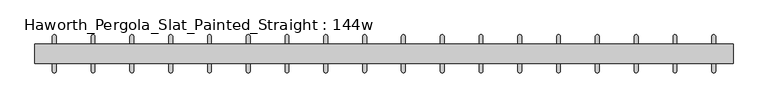
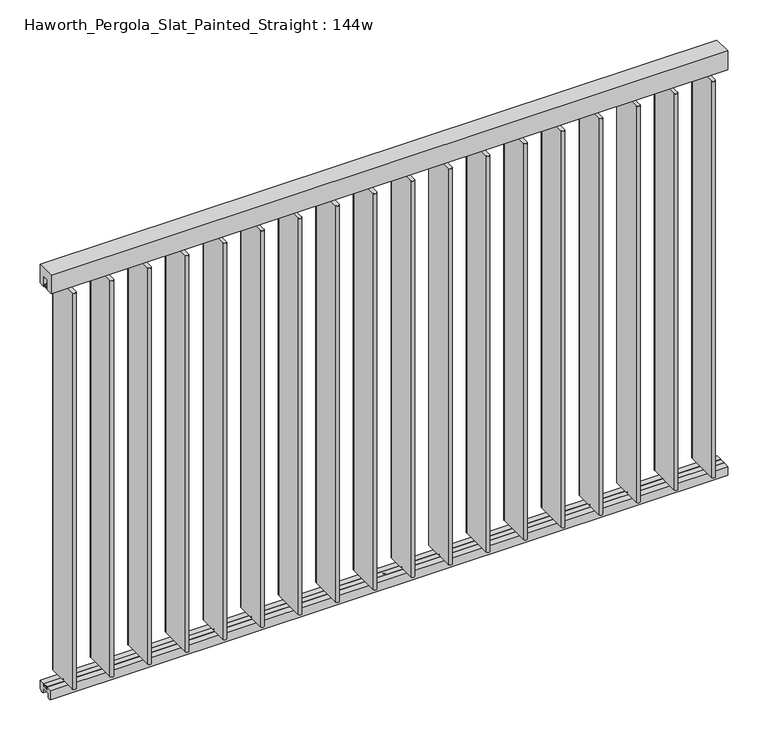
"""IFC4 building model written with IfcOpenShell, lengths in millimetres: furniture geometry, Haworth_Pergola_Slat_Painted_Straight : 144w."""

from ifc_helpers import new_model, si_unit, point, frame, frame_2d, origin, place, context, project, spatial, polyline, circle_curve, trimmed, segment, composite_curve, outline, extrude, source, transform, mapped, element, save


def haworth_pergola_slat_painted_straight_144w_dea3ec06(model_context):
    return source(origin(), model_context, "Body", "SweptSolid", [
        extrude(outline(composite_curve([segment(trimmed(circle_curve(frame_2d((1562.0999978, 0.0006097)), 6.0), [point((1557.8573571, 4.2432504))], [point((1566.3426384, -4.242031))], False, "CARTESIAN"), True, "CONTINUOUS"), segment(trimmed(circle_curve(frame_2d((1562.0999978, 0.0006097)), 6.0), [point((1566.3426384, -4.242031))], [point((1557.8573571, 4.2432504))], False, "CARTESIAN"), True, "CONTINUOUS")], self_intersect=False)), frame((0.0, 0.0, 2329.3585937), z_axis=(0.0, 0.0, 1.0), x_axis=(1.0, 0.0, 0.0)), (0.0, 0.0, 1.0), 4.9609375),
        extrude(outline(composite_curve([segment(trimmed(circle_curve(frame_2d((1562.0999978, 0.0006097)), 6.0), [point((1557.8573571, 4.2432504))], [point((1566.3426384, -4.242031))], False, "CARTESIAN"), True, "CONTINUOUS"), segment(trimmed(circle_curve(frame_2d((1562.0999978, 0.0006097)), 6.0), [point((1566.3426384, -4.242031))], [point((1557.8573571, 4.2432504))], False, "CARTESIAN"), True, "CONTINUOUS")], self_intersect=False)), frame((0.0, 0.0, 61.0195312), z_axis=(0.0, 0.0, 1.0), x_axis=(1.0, 0.0, 0.0)), (0.0, 0.0, 1.0), 4.9609375),
        extrude(outline(composite_curve([segment(polyline([(1572.0999989, 89.9835531), (1572.0999997, -90.0030634)]), True, "CONTINUOUS"), segment(trimmed(circle_curve(frame_2d((1562.0999976, -90.0030634)), 10.0000021), [point((1572.0999997, -90.0030634))], [point((1552.0999955, -90.0030631))], False, "CARTESIAN"), True, "CONTINUOUS"), segment(polyline([(1552.0999955, -90.0030631), (1552.1000009, 89.9835534)]), True, "CONTINUOUS"), segment(trimmed(circle_curve(frame_2d((1562.0999999, 89.9835531)), 9.999999), [point((1552.1000009, 89.9835534))], [point((1572.0999989, 89.9835531))], False, "CARTESIAN"), True, "CONTINUOUS")], self_intersect=False)), frame((0.0, 0.0, 65.9804687), z_axis=(0.0, 0.0, 1.0), x_axis=(1.0, 0.0, 0.0)), (0.0, 0.0, 1.0), 2263.378125),
        extrude(outline(composite_curve([segment(trimmed(circle_curve(frame_2d((1358.8999978, 0.0012193)), 6.0), [point((1354.6573571, 4.24386))], [point((1363.1426384, -4.2414213))], False, "CARTESIAN"), True, "CONTINUOUS"), segment(trimmed(circle_curve(frame_2d((1358.8999978, 0.0012193)), 6.0), [point((1363.1426384, -4.2414213))], [point((1354.6573571, 4.24386))], False, "CARTESIAN"), True, "CONTINUOUS")], self_intersect=False)), frame((0.0, 0.0, 2329.3585937), z_axis=(0.0, 0.0, 1.0), x_axis=(1.0, 0.0, 0.0)), (0.0, 0.0, 1.0), 4.9609375),
        extrude(outline(composite_curve([segment(trimmed(circle_curve(frame_2d((1358.8999978, 0.0012193)), 6.0), [point((1354.6573571, 4.24386))], [point((1363.1426384, -4.2414213))], False, "CARTESIAN"), True, "CONTINUOUS"), segment(trimmed(circle_curve(frame_2d((1358.8999978, 0.0012193)), 6.0), [point((1363.1426384, -4.2414213))], [point((1354.6573571, 4.24386))], False, "CARTESIAN"), True, "CONTINUOUS")], self_intersect=False)), frame((0.0, 0.0, 61.0195312), z_axis=(0.0, 0.0, 1.0), x_axis=(1.0, 0.0, 0.0)), (0.0, 0.0, 1.0), 4.9609375),
        extrude(outline(composite_curve([segment(polyline([(1368.8999989, 89.9841628), (1368.8999997, -90.0024537)]), True, "CONTINUOUS"), segment(trimmed(circle_curve(frame_2d((1358.8999976, -90.0024538)), 10.0000021), [point((1368.8999997, -90.0024537))], [point((1348.8999955, -90.0024535))], False, "CARTESIAN"), True, "CONTINUOUS"), segment(polyline([(1348.8999955, -90.0024535), (1348.9000009, 89.9841631)]), True, "CONTINUOUS"), segment(trimmed(circle_curve(frame_2d((1358.8999999, 89.9841628)), 9.999999), [point((1348.9000009, 89.9841631))], [point((1368.8999989, 89.9841628))], False, "CARTESIAN"), True, "CONTINUOUS")], self_intersect=False)), frame((0.0, 0.0, 65.9804687), z_axis=(0.0, 0.0, 1.0), x_axis=(1.0, 0.0, 0.0)), (0.0, 0.0, 1.0), 2263.378125),
        extrude(outline(composite_curve([segment(trimmed(circle_curve(frame_2d((1155.6999978, 0.001829)), 6.0), [point((1151.4573571, 4.2444697))], [point((1159.9426384, -4.2408117))], False, "CARTESIAN"), True, "CONTINUOUS"), segment(trimmed(circle_curve(frame_2d((1155.6999978, 0.001829)), 6.0), [point((1159.9426384, -4.2408117))], [point((1151.4573571, 4.2444697))], False, "CARTESIAN"), True, "CONTINUOUS")], self_intersect=False)), frame((0.0, 0.0, 2329.3585937), z_axis=(0.0, 0.0, 1.0), x_axis=(1.0, 0.0, 0.0)), (0.0, 0.0, 1.0), 4.9609375),
        extrude(outline(composite_curve([segment(trimmed(circle_curve(frame_2d((1155.6999978, 0.001829)), 6.0), [point((1151.4573571, 4.2444697))], [point((1159.9426384, -4.2408117))], False, "CARTESIAN"), True, "CONTINUOUS"), segment(trimmed(circle_curve(frame_2d((1155.6999978, 0.001829)), 6.0), [point((1159.9426384, -4.2408117))], [point((1151.4573571, 4.2444697))], False, "CARTESIAN"), True, "CONTINUOUS")], self_intersect=False)), frame((0.0, 0.0, 61.0195312), z_axis=(0.0, 0.0, 1.0), x_axis=(1.0, 0.0, 0.0)), (0.0, 0.0, 1.0), 4.9609375),
        extrude(outline(composite_curve([segment(polyline([(1165.6999989, 89.9847725), (1165.6999997, -90.001844)]), True, "CONTINUOUS"), segment(trimmed(circle_curve(frame_2d((1155.6999976, -90.0018441)), 10.0000021), [point((1165.6999997, -90.001844))], [point((1145.6999955, -90.0018438))], False, "CARTESIAN"), True, "CONTINUOUS"), segment(polyline([(1145.6999955, -90.0018438), (1145.7000009, 89.9847727)]), True, "CONTINUOUS"), segment(trimmed(circle_curve(frame_2d((1155.6999999, 89.9847724)), 9.999999), [point((1145.7000009, 89.9847727))], [point((1165.6999989, 89.9847725))], False, "CARTESIAN"), True, "CONTINUOUS")], self_intersect=False)), frame((0.0, 0.0, 65.9804687), z_axis=(0.0, 0.0, 1.0), x_axis=(1.0, 0.0, 0.0)), (0.0, 0.0, 1.0), 2263.378125),
        extrude(outline(composite_curve([segment(trimmed(circle_curve(frame_2d((952.4999978, 0.0024387)), 6.0), [point((948.2573571, 4.2450794))], [point((956.7426384, -4.240202))], False, "CARTESIAN"), True, "CONTINUOUS"), segment(trimmed(circle_curve(frame_2d((952.4999978, 0.0024387)), 6.0), [point((956.7426384, -4.240202))], [point((948.2573571, 4.2450794))], False, "CARTESIAN"), True, "CONTINUOUS")], self_intersect=False)), frame((0.0, 0.0, 2329.3585937), z_axis=(0.0, 0.0, 1.0), x_axis=(1.0, 0.0, 0.0)), (0.0, 0.0, 1.0), 4.9609375),
        extrude(outline(composite_curve([segment(trimmed(circle_curve(frame_2d((952.4999978, 0.0024387)), 6.0), [point((948.2573571, 4.2450794))], [point((956.7426384, -4.240202))], False, "CARTESIAN"), True, "CONTINUOUS"), segment(trimmed(circle_curve(frame_2d((952.4999978, 0.0024387)), 6.0), [point((956.7426384, -4.240202))], [point((948.2573571, 4.2450794))], False, "CARTESIAN"), True, "CONTINUOUS")], self_intersect=False)), frame((0.0, 0.0, 61.0195312), z_axis=(0.0, 0.0, 1.0), x_axis=(1.0, 0.0, 0.0)), (0.0, 0.0, 1.0), 4.9609375),
        extrude(outline(composite_curve([segment(polyline([(962.4999989, 89.9853822), (962.4999997, -90.0012344)]), True, "CONTINUOUS"), segment(trimmed(circle_curve(frame_2d((952.4999976, -90.0012344)), 10.0000021), [point((962.4999997, -90.0012344))], [point((942.4999955, -90.0012341))], False, "CARTESIAN"), True, "CONTINUOUS"), segment(polyline([(942.4999955, -90.0012341), (942.5000009, 89.9853824)]), True, "CONTINUOUS"), segment(trimmed(circle_curve(frame_2d((952.4999999, 89.9853821)), 9.999999), [point((942.5000009, 89.9853824))], [point((962.4999989, 89.9853822))], False, "CARTESIAN"), True, "CONTINUOUS")], self_intersect=False)), frame((0.0, 0.0, 65.9804687), z_axis=(0.0, 0.0, 1.0), x_axis=(1.0, 0.0, 0.0)), (0.0, 0.0, 1.0), 2263.378125),
        extrude(outline(composite_curve([segment(trimmed(circle_curve(frame_2d((749.2999978, 0.0030484)), 6.0), [point((745.0573571, 4.2456891))], [point((753.5426384, -4.2395923))], False, "CARTESIAN"), True, "CONTINUOUS"), segment(trimmed(circle_curve(frame_2d((749.2999978, 0.0030484)), 6.0), [point((753.5426384, -4.2395923))], [point((745.0573571, 4.2456891))], False, "CARTESIAN"), True, "CONTINUOUS")], self_intersect=False)), frame((0.0, 0.0, 2329.3585937), z_axis=(0.0, 0.0, 1.0), x_axis=(1.0, 0.0, 0.0)), (0.0, 0.0, 1.0), 4.9609375),
        extrude(outline(composite_curve([segment(trimmed(circle_curve(frame_2d((749.2999978, 0.0030484)), 6.0), [point((745.0573571, 4.2456891))], [point((753.5426384, -4.2395923))], False, "CARTESIAN"), True, "CONTINUOUS"), segment(trimmed(circle_curve(frame_2d((749.2999978, 0.0030484)), 6.0), [point((753.5426384, -4.2395923))], [point((745.0573571, 4.2456891))], False, "CARTESIAN"), True, "CONTINUOUS")], self_intersect=False)), frame((0.0, 0.0, 61.0195312), z_axis=(0.0, 0.0, 1.0), x_axis=(1.0, 0.0, 0.0)), (0.0, 0.0, 1.0), 4.9609375),
        extrude(outline(composite_curve([segment(polyline([(759.2999989, 89.9859918), (759.2999997, -90.0006247)]), True, "CONTINUOUS"), segment(trimmed(circle_curve(frame_2d((749.2999976, -90.0006247)), 10.0000021), [point((759.2999997, -90.0006247))], [point((739.2999955, -90.0006244))], False, "CARTESIAN"), True, "CONTINUOUS"), segment(polyline([(739.2999955, -90.0006244), (739.3000009, 89.9859921)]), True, "CONTINUOUS"), segment(trimmed(circle_curve(frame_2d((749.2999999, 89.9859918)), 9.999999), [point((739.3000009, 89.9859921))], [point((759.2999989, 89.9859918))], False, "CARTESIAN"), True, "CONTINUOUS")], self_intersect=False)), frame((0.0, 0.0, 65.9804687), z_axis=(0.0, 0.0, 1.0), x_axis=(1.0, 0.0, 0.0)), (0.0, 0.0, 1.0), 2263.378125),
        extrude(outline(composite_curve([segment(trimmed(circle_curve(frame_2d((546.0999978, 0.0036581)), 6.0), [point((541.8573571, 4.2462988))], [point((550.3426384, -4.2389826))], False, "CARTESIAN"), True, "CONTINUOUS"), segment(trimmed(circle_curve(frame_2d((546.0999978, 0.0036581)), 6.0), [point((550.3426384, -4.2389826))], [point((541.8573571, 4.2462988))], False, "CARTESIAN"), True, "CONTINUOUS")], self_intersect=False)), frame((0.0, 0.0, 2329.3585937), z_axis=(0.0, 0.0, 1.0), x_axis=(1.0, 0.0, 0.0)), (0.0, 0.0, 1.0), 4.9609375),
        extrude(outline(composite_curve([segment(trimmed(circle_curve(frame_2d((546.0999978, 0.0036581)), 6.0), [point((541.8573571, 4.2462988))], [point((550.3426384, -4.2389826))], False, "CARTESIAN"), True, "CONTINUOUS"), segment(trimmed(circle_curve(frame_2d((546.0999978, 0.0036581)), 6.0), [point((550.3426384, -4.2389826))], [point((541.8573571, 4.2462988))], False, "CARTESIAN"), True, "CONTINUOUS")], self_intersect=False)), frame((0.0, 0.0, 61.0195312), z_axis=(0.0, 0.0, 1.0), x_axis=(1.0, 0.0, 0.0)), (0.0, 0.0, 1.0), 4.9609375),
        extrude(outline(composite_curve([segment(polyline([(556.0999989, 89.9866015), (556.0999997, -90.000015)]), True, "CONTINUOUS"), segment(trimmed(circle_curve(frame_2d((546.0999976, -90.000015)), 10.0000021), [point((556.0999997, -90.000015))], [point((536.0999955, -90.0000147))], False, "CARTESIAN"), True, "CONTINUOUS"), segment(polyline([(536.0999955, -90.0000147), (536.1000009, 89.9866018)]), True, "CONTINUOUS"), segment(trimmed(circle_curve(frame_2d((546.0999999, 89.9866015)), 9.999999), [point((536.1000009, 89.9866018))], [point((556.0999989, 89.9866015))], False, "CARTESIAN"), True, "CONTINUOUS")], self_intersect=False)), frame((0.0, 0.0, 65.9804687), z_axis=(0.0, 0.0, 1.0), x_axis=(1.0, 0.0, 0.0)), (0.0, 0.0, 1.0), 2263.378125),
        extrude(outline(composite_curve([segment(trimmed(circle_curve(frame_2d((1765.2999978, 0.0)), 6.0), [point((1761.0573571, 4.2426407))], [point((1769.5426384, -4.2426407))], False, "CARTESIAN"), True, "CONTINUOUS"), segment(trimmed(circle_curve(frame_2d((1765.2999978, 0.0)), 6.0), [point((1769.5426384, -4.2426407))], [point((1761.0573571, 4.2426407))], False, "CARTESIAN"), True, "CONTINUOUS")], self_intersect=False)), frame((0.0, 0.0, 2329.3585937), z_axis=(0.0, 0.0, 1.0), x_axis=(1.0, 0.0, 0.0)), (0.0, 0.0, 1.0), 4.9609375),
        extrude(outline(composite_curve([segment(trimmed(circle_curve(frame_2d((1765.2999978, 0.0)), 6.0), [point((1761.0573571, 4.2426407))], [point((1769.5426384, -4.2426407))], False, "CARTESIAN"), True, "CONTINUOUS"), segment(trimmed(circle_curve(frame_2d((1765.2999978, 0.0)), 6.0), [point((1769.5426384, -4.2426407))], [point((1761.0573571, 4.2426407))], False, "CARTESIAN"), True, "CONTINUOUS")], self_intersect=False)), frame((0.0, 0.0, 61.0195312), z_axis=(0.0, 0.0, 1.0), x_axis=(1.0, 0.0, 0.0)), (0.0, 0.0, 1.0), 4.9609375),
        extrude(outline(composite_curve([segment(polyline([(1775.2999989, 89.9829434), (1775.2999997, -90.0036731)]), True, "CONTINUOUS"), segment(trimmed(circle_curve(frame_2d((1765.2999976, -90.0036731)), 10.0000021), [point((1775.2999997, -90.0036731))], [point((1755.2999955, -90.0036728))], False, "CARTESIAN"), True, "CONTINUOUS"), segment(polyline([(1755.2999955, -90.0036728), (1755.3000009, 89.9829437)]), True, "CONTINUOUS"), segment(trimmed(circle_curve(frame_2d((1765.2999999, 89.9829434)), 9.999999), [point((1755.3000009, 89.9829437))], [point((1775.2999989, 89.9829434))], False, "CARTESIAN"), True, "CONTINUOUS")], self_intersect=False)), frame((0.0, 0.0, 65.9804687), z_axis=(0.0, 0.0, 1.0), x_axis=(1.0, 0.0, 0.0)), (0.0, 0.0, 1.0), 2263.378125),
        extrude(outline(composite_curve([segment(trimmed(circle_curve(frame_2d((342.8999978, 0.0042678)), 6.0), [point((338.6573571, 4.2469084))], [point((347.1426384, -4.2383729))], False, "CARTESIAN"), True, "CONTINUOUS"), segment(trimmed(circle_curve(frame_2d((342.8999978, 0.0042678)), 6.0), [point((347.1426384, -4.2383729))], [point((338.6573571, 4.2469084))], False, "CARTESIAN"), True, "CONTINUOUS")], self_intersect=False)), frame((0.0, 0.0, 2329.3585937), z_axis=(0.0, 0.0, 1.0), x_axis=(1.0, 0.0, 0.0)), (0.0, 0.0, 1.0), 4.9609375),
        extrude(outline(composite_curve([segment(trimmed(circle_curve(frame_2d((342.8999978, 0.0042678)), 6.0), [point((338.6573571, 4.2469084))], [point((347.1426384, -4.2383729))], False, "CARTESIAN"), True, "CONTINUOUS"), segment(trimmed(circle_curve(frame_2d((342.8999978, 0.0042678)), 6.0), [point((347.1426384, -4.2383729))], [point((338.6573571, 4.2469084))], False, "CARTESIAN"), True, "CONTINUOUS")], self_intersect=False)), frame((0.0, 0.0, 61.0195312), z_axis=(0.0, 0.0, 1.0), x_axis=(1.0, 0.0, 0.0)), (0.0, 0.0, 1.0), 4.9609375),
        extrude(outline(composite_curve([segment(polyline([(352.8999989, 89.9872112), (352.8999997, -89.9994053)]), True, "CONTINUOUS"), segment(trimmed(circle_curve(frame_2d((342.8999976, -89.9994054)), 10.0000021), [point((352.8999997, -89.9994053))], [point((332.8999955, -89.9994051))], False, "CARTESIAN"), True, "CONTINUOUS"), segment(polyline([(332.8999955, -89.9994051), (332.9000009, 89.9872115)]), True, "CONTINUOUS"), segment(trimmed(circle_curve(frame_2d((342.8999999, 89.9872112)), 9.999999), [point((332.9000009, 89.9872115))], [point((352.8999989, 89.9872112))], False, "CARTESIAN"), True, "CONTINUOUS")], self_intersect=False)), frame((0.0, 0.0, 65.9804687), z_axis=(0.0, 0.0, 1.0), x_axis=(1.0, 0.0, 0.0)), (0.0, 0.0, 1.0), 2263.378125),
        extrude(outline(composite_curve([segment(trimmed(circle_curve(frame_2d((139.6999978, 0.0048774)), 6.0), [point((135.4573571, 4.2475181))], [point((143.9426384, -4.2377633))], False, "CARTESIAN"), True, "CONTINUOUS"), segment(trimmed(circle_curve(frame_2d((139.6999978, 0.0048774)), 6.0), [point((143.9426384, -4.2377633))], [point((135.4573571, 4.2475181))], False, "CARTESIAN"), True, "CONTINUOUS")], self_intersect=False)), frame((0.0, 0.0, 2329.3585937), z_axis=(0.0, 0.0, 1.0), x_axis=(1.0, 0.0, 0.0)), (0.0, 0.0, 1.0), 4.9609375),
        extrude(outline(composite_curve([segment(trimmed(circle_curve(frame_2d((139.6999978, 0.0048774)), 6.0), [point((135.4573571, 4.2475181))], [point((143.9426384, -4.2377633))], False, "CARTESIAN"), True, "CONTINUOUS"), segment(trimmed(circle_curve(frame_2d((139.6999978, 0.0048774)), 6.0), [point((143.9426384, -4.2377633))], [point((135.4573571, 4.2475181))], False, "CARTESIAN"), True, "CONTINUOUS")], self_intersect=False)), frame((0.0, 0.0, 61.0195312), z_axis=(0.0, 0.0, 1.0), x_axis=(1.0, 0.0, 0.0)), (0.0, 0.0, 1.0), 4.9609375),
        extrude(outline(composite_curve([segment(polyline([(149.6999989, 89.9878209), (149.6999997, -89.9987956)]), True, "CONTINUOUS"), segment(trimmed(circle_curve(frame_2d((139.6999976, -89.9987957)), 10.0000021), [point((149.6999997, -89.9987956))], [point((129.6999955, -89.9987954))], False, "CARTESIAN"), True, "CONTINUOUS"), segment(polyline([(129.6999955, -89.9987954), (129.7000009, 89.9878211)]), True, "CONTINUOUS"), segment(trimmed(circle_curve(frame_2d((139.6999999, 89.9878208)), 9.999999), [point((129.7000009, 89.9878211))], [point((149.6999989, 89.9878209))], False, "CARTESIAN"), True, "CONTINUOUS")], self_intersect=False)), frame((0.0, 0.0, 65.9804687), z_axis=(0.0, 0.0, 1.0), x_axis=(1.0, 0.0, 0.0)), (0.0, 0.0, 1.0), 2263.378125),
        extrude(outline(composite_curve([segment(trimmed(circle_curve(frame_2d((-63.5000022, 0.0054871)), 6.0), [point((-67.7426429, 4.2481278))], [point((-59.2573616, -4.2371536))], False, "CARTESIAN"), True, "CONTINUOUS"), segment(trimmed(circle_curve(frame_2d((-63.5000022, 0.0054871)), 6.0), [point((-59.2573616, -4.2371536))], [point((-67.7426429, 4.2481278))], False, "CARTESIAN"), True, "CONTINUOUS")], self_intersect=False)), frame((0.0, 0.0, 2329.3585937), z_axis=(0.0, 0.0, 1.0), x_axis=(1.0, 0.0, 0.0)), (0.0, 0.0, 1.0), 4.9609375),
        extrude(outline(composite_curve([segment(trimmed(circle_curve(frame_2d((-63.5000022, 0.0054871)), 6.0), [point((-67.7426429, 4.2481278))], [point((-59.2573616, -4.2371536))], False, "CARTESIAN"), True, "CONTINUOUS"), segment(trimmed(circle_curve(frame_2d((-63.5000022, 0.0054871)), 6.0), [point((-59.2573616, -4.2371536))], [point((-67.7426429, 4.2481278))], False, "CARTESIAN"), True, "CONTINUOUS")], self_intersect=False)), frame((0.0, 0.0, 61.0195312), z_axis=(0.0, 0.0, 1.0), x_axis=(1.0, 0.0, 0.0)), (0.0, 0.0, 1.0), 4.9609375),
        extrude(outline(composite_curve([segment(polyline([(-53.5000011, 89.9884306), (-53.5000003, -89.998186)]), True, "CONTINUOUS"), segment(trimmed(circle_curve(frame_2d((-63.5000024, -89.998186)), 10.0000021), [point((-53.5000003, -89.998186))], [point((-73.5000045, -89.9981857))], False, "CARTESIAN"), True, "CONTINUOUS"), segment(polyline([(-73.5000045, -89.9981857), (-73.4999991, 89.9884308)]), True, "CONTINUOUS"), segment(trimmed(circle_curve(frame_2d((-63.5000001, 89.9884305)), 9.999999), [point((-73.4999991, 89.9884308))], [point((-53.5000011, 89.9884306))], False, "CARTESIAN"), True, "CONTINUOUS")], self_intersect=False)), frame((0.0, 0.0, 65.9804687), z_axis=(0.0, 0.0, 1.0), x_axis=(1.0, 0.0, 0.0)), (0.0, 0.0, 1.0), 2263.378125),
        extrude(outline(composite_curve([segment(trimmed(circle_curve(frame_2d((-266.7000022, 0.0060968)), 6.0), [point((-270.9426429, 4.2487375))], [point((-262.4573616, -4.2365439))], False, "CARTESIAN"), True, "CONTINUOUS"), segment(trimmed(circle_curve(frame_2d((-266.7000022, 0.0060968)), 6.0), [point((-262.4573616, -4.2365439))], [point((-270.9426429, 4.2487375))], False, "CARTESIAN"), True, "CONTINUOUS")], self_intersect=False)), frame((0.0, 0.0, 2329.3585937), z_axis=(0.0, 0.0, 1.0), x_axis=(1.0, 0.0, 0.0)), (0.0, 0.0, 1.0), 4.9609375),
        extrude(outline(composite_curve([segment(trimmed(circle_curve(frame_2d((-266.7000022, 0.0060968)), 6.0), [point((-270.9426429, 4.2487375))], [point((-262.4573616, -4.2365439))], False, "CARTESIAN"), True, "CONTINUOUS"), segment(trimmed(circle_curve(frame_2d((-266.7000022, 0.0060968)), 6.0), [point((-262.4573616, -4.2365439))], [point((-270.9426429, 4.2487375))], False, "CARTESIAN"), True, "CONTINUOUS")], self_intersect=False)), frame((0.0, 0.0, 61.0195312), z_axis=(0.0, 0.0, 1.0), x_axis=(1.0, 0.0, 0.0)), (0.0, 0.0, 1.0), 4.9609375),
        extrude(outline(composite_curve([segment(polyline([(-256.7000011, 89.9890402), (-256.7000003, -89.9975763)]), True, "CONTINUOUS"), segment(trimmed(circle_curve(frame_2d((-266.7000024, -89.9975763)), 10.0000021), [point((-256.7000003, -89.9975763))], [point((-276.7000045, -89.997576))], False, "CARTESIAN"), True, "CONTINUOUS"), segment(polyline([(-276.7000045, -89.997576), (-276.6999991, 89.9890405)]), True, "CONTINUOUS"), segment(trimmed(circle_curve(frame_2d((-266.7000001, 89.9890402)), 9.999999), [point((-276.6999991, 89.9890405))], [point((-256.7000011, 89.9890402))], False, "CARTESIAN"), True, "CONTINUOUS")], self_intersect=False)), frame((0.0, 0.0, 65.9804687), z_axis=(0.0, 0.0, 1.0), x_axis=(1.0, 0.0, 0.0)), (0.0, 0.0, 1.0), 2263.378125),
        extrude(outline(composite_curve([segment(trimmed(circle_curve(frame_2d((-469.9000022, 0.0067065)), 6.0), [point((-474.1426429, 4.2493472))], [point((-465.6573616, -4.2359342))], False, "CARTESIAN"), True, "CONTINUOUS"), segment(trimmed(circle_curve(frame_2d((-469.9000022, 0.0067065)), 6.0), [point((-465.6573616, -4.2359342))], [point((-474.1426429, 4.2493472))], False, "CARTESIAN"), True, "CONTINUOUS")], self_intersect=False)), frame((0.0, 0.0, 2329.3585937), z_axis=(0.0, 0.0, 1.0), x_axis=(1.0, 0.0, 0.0)), (0.0, 0.0, 1.0), 4.9609375),
        extrude(outline(composite_curve([segment(trimmed(circle_curve(frame_2d((-469.9000022, 0.0067065)), 6.0), [point((-474.1426429, 4.2493472))], [point((-465.6573616, -4.2359342))], False, "CARTESIAN"), True, "CONTINUOUS"), segment(trimmed(circle_curve(frame_2d((-469.9000022, 0.0067065)), 6.0), [point((-465.6573616, -4.2359342))], [point((-474.1426429, 4.2493472))], False, "CARTESIAN"), True, "CONTINUOUS")], self_intersect=False)), frame((0.0, 0.0, 61.0195312), z_axis=(0.0, 0.0, 1.0), x_axis=(1.0, 0.0, 0.0)), (0.0, 0.0, 1.0), 4.9609375),
        extrude(outline(composite_curve([segment(polyline([(-459.9000011, 89.9896499), (-459.9000003, -89.9969666)]), True, "CONTINUOUS"), segment(trimmed(circle_curve(frame_2d((-469.9000024, -89.9969666)), 10.0000021), [point((-459.9000003, -89.9969666))], [point((-479.9000045, -89.9969663))], False, "CARTESIAN"), True, "CONTINUOUS"), segment(polyline([(-479.9000045, -89.9969663), (-479.8999991, 89.9896502)]), True, "CONTINUOUS"), segment(trimmed(circle_curve(frame_2d((-469.9000001, 89.9896499)), 9.999999), [point((-479.8999991, 89.9896502))], [point((-459.9000011, 89.9896499))], False, "CARTESIAN"), True, "CONTINUOUS")], self_intersect=False)), frame((0.0, 0.0, 65.9804687), z_axis=(0.0, 0.0, 1.0), x_axis=(1.0, 0.0, 0.0)), (0.0, 0.0, 1.0), 2263.378125),
        extrude(outline(composite_curve([segment(trimmed(circle_curve(frame_2d((-673.1000022, 0.0073162)), 6.0), [point((-677.3426429, 4.2499568))], [point((-668.8573616, -4.2353245))], False, "CARTESIAN"), True, "CONTINUOUS"), segment(trimmed(circle_curve(frame_2d((-673.1000022, 0.0073162)), 6.0), [point((-668.8573616, -4.2353245))], [point((-677.3426429, 4.2499568))], False, "CARTESIAN"), True, "CONTINUOUS")], self_intersect=False)), frame((0.0, 0.0, 2329.3585937), z_axis=(0.0, 0.0, 1.0), x_axis=(1.0, 0.0, 0.0)), (0.0, 0.0, 1.0), 4.9609375),
        extrude(outline(composite_curve([segment(trimmed(circle_curve(frame_2d((-673.1000022, 0.0073162)), 6.0), [point((-677.3426429, 4.2499568))], [point((-668.8573616, -4.2353245))], False, "CARTESIAN"), True, "CONTINUOUS"), segment(trimmed(circle_curve(frame_2d((-673.1000022, 0.0073162)), 6.0), [point((-668.8573616, -4.2353245))], [point((-677.3426429, 4.2499568))], False, "CARTESIAN"), True, "CONTINUOUS")], self_intersect=False)), frame((0.0, 0.0, 61.0195312), z_axis=(0.0, 0.0, 1.0), x_axis=(1.0, 0.0, 0.0)), (0.0, 0.0, 1.0), 4.9609375),
        extrude(outline(composite_curve([segment(polyline([(-663.1000011, 89.9902596), (-663.1000003, -89.9963569)]), True, "CONTINUOUS"), segment(trimmed(circle_curve(frame_2d((-673.1000024, -89.996357)), 10.0000021), [point((-663.1000003, -89.9963569))], [point((-683.1000045, -89.9963567))], False, "CARTESIAN"), True, "CONTINUOUS"), segment(polyline([(-683.1000045, -89.9963567), (-683.0999991, 89.9902599)]), True, "CONTINUOUS"), segment(trimmed(circle_curve(frame_2d((-673.1000001, 89.9902596)), 9.999999), [point((-683.0999991, 89.9902599))], [point((-663.1000011, 89.9902596))], False, "CARTESIAN"), True, "CONTINUOUS")], self_intersect=False)), frame((0.0, 0.0, 65.9804687), z_axis=(0.0, 0.0, 1.0), x_axis=(1.0, 0.0, 0.0)), (0.0, 0.0, 1.0), 2263.378125),
        extrude(outline(composite_curve([segment(trimmed(circle_curve(frame_2d((-876.3000022, 0.0079258)), 6.0), [point((-880.5426429, 4.2505665))], [point((-872.0573616, -4.2347149))], False, "CARTESIAN"), True, "CONTINUOUS"), segment(trimmed(circle_curve(frame_2d((-876.3000022, 0.0079258)), 6.0), [point((-872.0573616, -4.2347149))], [point((-880.5426429, 4.2505665))], False, "CARTESIAN"), True, "CONTINUOUS")], self_intersect=False)), frame((0.0, 0.0, 2329.3585937), z_axis=(0.0, 0.0, 1.0), x_axis=(1.0, 0.0, 0.0)), (0.0, 0.0, 1.0), 4.9609375),
        extrude(outline(composite_curve([segment(trimmed(circle_curve(frame_2d((-876.3000022, 0.0079258)), 6.0), [point((-880.5426429, 4.2505665))], [point((-872.0573616, -4.2347149))], False, "CARTESIAN"), True, "CONTINUOUS"), segment(trimmed(circle_curve(frame_2d((-876.3000022, 0.0079258)), 6.0), [point((-872.0573616, -4.2347149))], [point((-880.5426429, 4.2505665))], False, "CARTESIAN"), True, "CONTINUOUS")], self_intersect=False)), frame((0.0, 0.0, 61.0195312), z_axis=(0.0, 0.0, 1.0), x_axis=(1.0, 0.0, 0.0)), (0.0, 0.0, 1.0), 4.9609375),
        extrude(outline(composite_curve([segment(polyline([(-866.3000011, 89.9908693), (-866.3000003, -89.9957472)]), True, "CONTINUOUS"), segment(trimmed(circle_curve(frame_2d((-876.3000024, -89.9957473)), 10.0000021), [point((-866.3000003, -89.9957472))], [point((-886.3000045, -89.995747))], False, "CARTESIAN"), True, "CONTINUOUS"), segment(polyline([(-886.3000045, -89.995747), (-886.2999991, 89.9908695)]), True, "CONTINUOUS"), segment(trimmed(circle_curve(frame_2d((-876.3000001, 89.9908692)), 9.999999), [point((-886.2999991, 89.9908695))], [point((-866.3000011, 89.9908693))], False, "CARTESIAN"), True, "CONTINUOUS")], self_intersect=False)), frame((0.0, 0.0, 65.9804687), z_axis=(0.0, 0.0, 1.0), x_axis=(1.0, 0.0, 0.0)), (0.0, 0.0, 1.0), 2263.378125),
        extrude(outline(composite_curve([segment(trimmed(circle_curve(frame_2d((-1079.5000022, 0.0085355)), 6.0), [point((-1083.7426429, 4.2511762))], [point((-1075.2573616, -4.2341052))], False, "CARTESIAN"), True, "CONTINUOUS"), segment(trimmed(circle_curve(frame_2d((-1079.5000022, 0.0085355)), 6.0), [point((-1075.2573616, -4.2341052))], [point((-1083.7426429, 4.2511762))], False, "CARTESIAN"), True, "CONTINUOUS")], self_intersect=False)), frame((0.0, 0.0, 2329.3585937), z_axis=(0.0, 0.0, 1.0), x_axis=(1.0, 0.0, 0.0)), (0.0, 0.0, 1.0), 4.9609375),
        extrude(outline(composite_curve([segment(trimmed(circle_curve(frame_2d((-1079.5000022, 0.0085355)), 6.0), [point((-1083.7426429, 4.2511762))], [point((-1075.2573616, -4.2341052))], False, "CARTESIAN"), True, "CONTINUOUS"), segment(trimmed(circle_curve(frame_2d((-1079.5000022, 0.0085355)), 6.0), [point((-1075.2573616, -4.2341052))], [point((-1083.7426429, 4.2511762))], False, "CARTESIAN"), True, "CONTINUOUS")], self_intersect=False)), frame((0.0, 0.0, 61.0195312), z_axis=(0.0, 0.0, 1.0), x_axis=(1.0, 0.0, 0.0)), (0.0, 0.0, 1.0), 4.9609375),
        extrude(outline(composite_curve([segment(polyline([(-1069.5000011, 89.991479), (-1069.5000003, -89.9951376)]), True, "CONTINUOUS"), segment(trimmed(circle_curve(frame_2d((-1079.5000024, -89.9951376)), 10.0000021), [point((-1069.5000003, -89.9951376))], [point((-1089.5000045, -89.9951373))], False, "CARTESIAN"), True, "CONTINUOUS"), segment(polyline([(-1089.5000045, -89.9951373), (-1089.4999991, 89.9914792)]), True, "CONTINUOUS"), segment(trimmed(circle_curve(frame_2d((-1079.5000001, 89.9914789)), 9.999999), [point((-1089.4999991, 89.9914792))], [point((-1069.5000011, 89.991479))], False, "CARTESIAN"), True, "CONTINUOUS")], self_intersect=False)), frame((0.0, 0.0, 65.9804687), z_axis=(0.0, 0.0, 1.0), x_axis=(1.0, 0.0, 0.0)), (0.0, 0.0, 1.0), 2263.378125),
        extrude(outline(composite_curve([segment(trimmed(circle_curve(frame_2d((-1282.7000022, 0.0091452)), 6.0), [point((-1286.9426429, 4.2517859))], [point((-1278.4573616, -4.2334955))], False, "CARTESIAN"), True, "CONTINUOUS"), segment(trimmed(circle_curve(frame_2d((-1282.7000022, 0.0091452)), 6.0), [point((-1278.4573616, -4.2334955))], [point((-1286.9426429, 4.2517859))], False, "CARTESIAN"), True, "CONTINUOUS")], self_intersect=False)), frame((0.0, 0.0, 2329.3585937), z_axis=(0.0, 0.0, 1.0), x_axis=(1.0, 0.0, 0.0)), (0.0, 0.0, 1.0), 4.9609375),
        extrude(outline(composite_curve([segment(trimmed(circle_curve(frame_2d((-1282.7000022, 0.0091452)), 6.0), [point((-1286.9426429, 4.2517859))], [point((-1278.4573616, -4.2334955))], False, "CARTESIAN"), True, "CONTINUOUS"), segment(trimmed(circle_curve(frame_2d((-1282.7000022, 0.0091452)), 6.0), [point((-1278.4573616, -4.2334955))], [point((-1286.9426429, 4.2517859))], False, "CARTESIAN"), True, "CONTINUOUS")], self_intersect=False)), frame((0.0, 0.0, 61.0195312), z_axis=(0.0, 0.0, 1.0), x_axis=(1.0, 0.0, 0.0)), (0.0, 0.0, 1.0), 4.9609375),
        extrude(outline(composite_curve([segment(polyline([(-1272.7000011, 89.9920886), (-1272.7000003, -89.9945279)]), True, "CONTINUOUS"), segment(trimmed(circle_curve(frame_2d((-1282.7000024, -89.9945279)), 10.0000021), [point((-1272.7000003, -89.9945279))], [point((-1292.7000045, -89.9945276))], False, "CARTESIAN"), True, "CONTINUOUS"), segment(polyline([(-1292.7000045, -89.9945276), (-1292.6999991, 89.9920889)]), True, "CONTINUOUS"), segment(trimmed(circle_curve(frame_2d((-1282.7000001, 89.9920886)), 9.999999), [point((-1292.6999991, 89.9920889))], [point((-1272.7000011, 89.9920886))], False, "CARTESIAN"), True, "CONTINUOUS")], self_intersect=False)), frame((0.0, 0.0, 65.9804687), z_axis=(0.0, 0.0, 1.0), x_axis=(1.0, 0.0, 0.0)), (0.0, 0.0, 1.0), 2263.378125),
        extrude(outline(composite_curve([segment(trimmed(circle_curve(frame_2d((-1485.9000022, 0.0097549)), 6.0), [point((-1490.1426429, 4.2523956))], [point((-1481.6573616, -4.2328858))], False, "CARTESIAN"), True, "CONTINUOUS"), segment(trimmed(circle_curve(frame_2d((-1485.9000022, 0.0097549)), 6.0), [point((-1481.6573616, -4.2328858))], [point((-1490.1426429, 4.2523956))], False, "CARTESIAN"), True, "CONTINUOUS")], self_intersect=False)), frame((0.0, 0.0, 2329.3585937), z_axis=(0.0, 0.0, 1.0), x_axis=(1.0, 0.0, 0.0)), (0.0, 0.0, 1.0), 4.9609375),
        extrude(outline(composite_curve([segment(trimmed(circle_curve(frame_2d((-1485.9000022, 0.0097549)), 6.0), [point((-1490.1426429, 4.2523956))], [point((-1481.6573616, -4.2328858))], False, "CARTESIAN"), True, "CONTINUOUS"), segment(trimmed(circle_curve(frame_2d((-1485.9000022, 0.0097549)), 6.0), [point((-1481.6573616, -4.2328858))], [point((-1490.1426429, 4.2523956))], False, "CARTESIAN"), True, "CONTINUOUS")], self_intersect=False)), frame((0.0, 0.0, 61.0195312), z_axis=(0.0, 0.0, 1.0), x_axis=(1.0, 0.0, 0.0)), (0.0, 0.0, 1.0), 4.9609375),
        extrude(outline(composite_curve([segment(polyline([(-1475.9000011, 89.9926983), (-1475.9000003, -89.9939182)]), True, "CONTINUOUS"), segment(trimmed(circle_curve(frame_2d((-1485.9000024, -89.9939182)), 10.0000021), [point((-1475.9000003, -89.9939182))], [point((-1495.9000045, -89.9939179))], False, "CARTESIAN"), True, "CONTINUOUS"), segment(polyline([(-1495.9000045, -89.9939179), (-1495.8999991, 89.9926986)]), True, "CONTINUOUS"), segment(trimmed(circle_curve(frame_2d((-1485.9000001, 89.9926983)), 9.999999), [point((-1495.8999991, 89.9926986))], [point((-1475.9000011, 89.9926983))], False, "CARTESIAN"), True, "CONTINUOUS")], self_intersect=False)), frame((0.0, 0.0, 65.9804687), z_axis=(0.0, 0.0, 1.0), x_axis=(1.0, 0.0, 0.0)), (0.0, 0.0, 1.0), 2263.378125),
        extrude(outline(composite_curve([segment(trimmed(circle_curve(frame_2d((-1689.1000022, 0.0103646)), 6.0), [point((-1693.3426429, 4.2530052))], [point((-1684.8573616, -4.2322761))], False, "CARTESIAN"), True, "CONTINUOUS"), segment(trimmed(circle_curve(frame_2d((-1689.1000022, 0.0103646)), 6.0), [point((-1684.8573616, -4.2322761))], [point((-1693.3426429, 4.2530052))], False, "CARTESIAN"), True, "CONTINUOUS")], self_intersect=False)), frame((0.0, 0.0, 2329.3585937), z_axis=(0.0, 0.0, 1.0), x_axis=(1.0, 0.0, 0.0)), (0.0, 0.0, 1.0), 4.9609375),
        extrude(outline(composite_curve([segment(trimmed(circle_curve(frame_2d((-1689.1000022, 0.0103646)), 6.0), [point((-1693.3426429, 4.2530052))], [point((-1684.8573616, -4.2322761))], False, "CARTESIAN"), True, "CONTINUOUS"), segment(trimmed(circle_curve(frame_2d((-1689.1000022, 0.0103646)), 6.0), [point((-1684.8573616, -4.2322761))], [point((-1693.3426429, 4.2530052))], False, "CARTESIAN"), True, "CONTINUOUS")], self_intersect=False)), frame((0.0, 0.0, 61.0195312), z_axis=(0.0, 0.0, 1.0), x_axis=(1.0, 0.0, 0.0)), (0.0, 0.0, 1.0), 4.9609375),
        extrude(outline(composite_curve([segment(polyline([(-1679.1000011, 89.993308), (-1679.1000003, -89.9933085)]), True, "CONTINUOUS"), segment(trimmed(circle_curve(frame_2d((-1689.1000024, -89.9933086)), 10.0000021), [point((-1679.1000003, -89.9933085))], [point((-1699.1000045, -89.9933083))], False, "CARTESIAN"), True, "CONTINUOUS"), segment(polyline([(-1699.1000045, -89.9933083), (-1699.0999991, 89.9933083)]), True, "CONTINUOUS"), segment(trimmed(circle_curve(frame_2d((-1689.1000001, 89.993308)), 9.999999), [point((-1699.0999991, 89.9933083))], [point((-1679.1000011, 89.993308))], False, "CARTESIAN"), True, "CONTINUOUS")], self_intersect=False)), frame((0.0, 0.0, 65.9804687), z_axis=(0.0, 0.0, 1.0), x_axis=(1.0, 0.0, 0.0)), (0.0, 0.0, 1.0), 2263.378125),
        extrude(outline(polyline([(-50.8, 2438.4), (50.8, 2438.4), (50.8, 2331.8390625), (15.2182948, 2331.8390625), (15.2182948, 2388.7001663), (-15.2182948, 2388.7001663), (-15.2182948, 2331.8390625), (-50.8, 2331.8390625), (-50.8, 2438.4)])), frame((-1790.7, 0.0, 0.0), z_axis=(1.0, 0.0, 0.0), x_axis=(0.0, 1.0, 0.0)), (0.0, 0.0, 1.0), 3657.6),
        extrude(outline(polyline([(-7.8249998, 61.7499993), (-15.2249995, 61.7499993), (-15.2249995, 63.5), (15.2249996, 63.5), (15.2249996, 61.7499999), (13.3999997, 61.7499999), (13.3999997, 50.2499995), (11.8250005, 50.2499995), (11.8250005, 61.7499993), (-4.8250001, 61.7499993), (-4.8250001, 50.0999996), (-7.8249998, 50.0999996), (-7.8249998, 61.7499993)])), frame((-1790.7, 0.0, 0.0), z_axis=(1.0, 0.0, 0.0), x_axis=(0.0, 1.0, 0.0)), (0.0, 0.0, 1.0), 3657.6),
        extrude(outline(polyline([(-16.2000002, 63.5), (-16.5085717, 61.7499999), (-13.3999996, 61.7499999), (-13.3999996, 58.8973461), (-15.4000002, 59.2499999), (-15.4000002, 48.3500004), (15.4000003, 48.3500004), (15.4000003, 59.2499999), (13.3999997, 58.8973461), (13.3999997, 61.7499999), (16.5085718, 61.7499999), (16.2000003, 63.5), (50.0000004, 63.5), (50.0000004, 12.6999985), (40.9499987, 12.6999985), (38.9499981, 10.6999979), (28.9499999, 10.6999979), (28.9499999, 7.6999994), (38.9499981, 7.6999994), (38.9499981, 5.6999988), (23.7499993, 5.6999988), (23.7499993, 31.4500009), (-23.7499992, 31.4500009), (-23.7499992, 5.6999988), (-38.949998, 5.6999988), (-38.949998, 7.6999994), (-28.9499998, 7.6999994), (-28.9499998, 10.6999979), (-38.949998, 10.6999979), (-40.9499986, 12.6999985), (-50.0000003, 12.6999985), (-50.0000003, 63.5), (-16.2000002, 63.5)])), frame((-1790.7, 0.0, 0.0), z_axis=(1.0, 0.0, 0.0), x_axis=(0.0, 1.0, 0.0)), (0.0, 0.0, 1.0), 3657.6),
        extrude(outline(polyline([(7.8249999, 2338.5500385), (15.2249996, 2338.5500385), (15.2249996, 2336.8), (-15.2249995, 2336.8), (-15.2249995, 2338.5500385), (-13.3999996, 2338.5500385), (-13.3999996, 2350.0500633), (-11.8249992, 2350.0500633), (-11.8250004, 2338.5500385), (4.8250002, 2338.5500385), (4.8250002, 2350.2000542), (7.8250005, 2350.2000542), (7.8249999, 2338.5500385)])), frame((-1790.7, 0.0, 0.0), z_axis=(1.0, 0.0, 0.0), x_axis=(0.0, 1.0, 0.0)), (0.0, 0.0, 1.0), 3657.6),
        extrude(outline(composite_curve([segment(trimmed(circle_curve(frame_2d((38.1000001, 1e-07)), 6.0), [point((32.1000001, 1e-07))], [point((44.1000001, 1e-07))], False, "CARTESIAN"), True, "CONTINUOUS"), segment(trimmed(circle_curve(frame_2d((38.1000001, 1e-07)), 6.0), [point((44.1000001, 1e-07))], [point((32.1000001, 1e-07))], False, "CARTESIAN"), True, "CONTINUOUS")], self_intersect=False)), frame((0.0, 0.0, 2319.1390625), z_axis=(0.0, 0.0, 1.0), x_axis=(1.0, 0.0, 0.0)), (0.0, 0.0, 1.0), 17.6609375),
        extrude(outline(composite_curve([segment(trimmed(circle_curve(frame_2d((38.1000001, 1e-07)), 6.0), [point((32.1000001, 1e-07))], [point((44.1000001, 1e-07))], False, "CARTESIAN"), True, "CONTINUOUS"), segment(trimmed(circle_curve(frame_2d((38.1000001, 1e-07)), 6.0), [point((44.1000001, 1e-07))], [point((32.1000001, 1e-07))], False, "CARTESIAN"), True, "CONTINUOUS")], self_intersect=False)), frame((0.0, 0.0, 55.7609375), z_axis=(0.0, 0.0, 1.0), x_axis=(1.0, 0.0, 0.0)), (0.0, 0.0, 1.0), 7.7390625),
    ])


if __name__ == "__main__":
    model = new_model("IFC4")
    model_context = context("Model", 3, world=origin())
    ifc_project = project(units=[si_unit("LENGTHUNIT", "METRE", prefix="MILLI")], contexts=[model_context])
    site = spatial("IfcSite", under=ifc_project)
    building = spatial("IfcBuilding", under=site)
    placement = place(None, origin())
    haworth_pergola_slat_painted_straight_144w_shape = haworth_pergola_slat_painted_straight_144w_dea3ec06(model_context)
    element("IfcFurniture", 1, ObjectType="Haworth_Pergola_Slat_Painted_Straight : 144w", at=placement, inside=building, context=model_context, shape_type="MappedRepresentation", body=[
        mapped(haworth_pergola_slat_painted_straight_144w_shape, transform((0.0, 0.0, 0.0), x_axis=(1.0, 0.0, 0.0), y_axis=(0.0, 1.0, 0.0), z_axis=(0.0, 0.0, 1.0))),
    ])
    save(model, "model.ifc")
